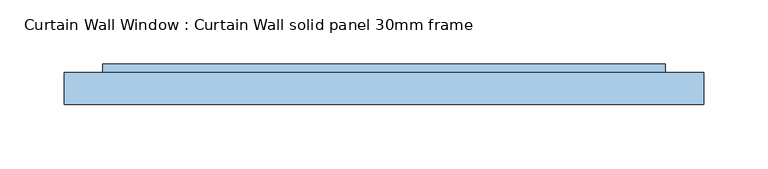
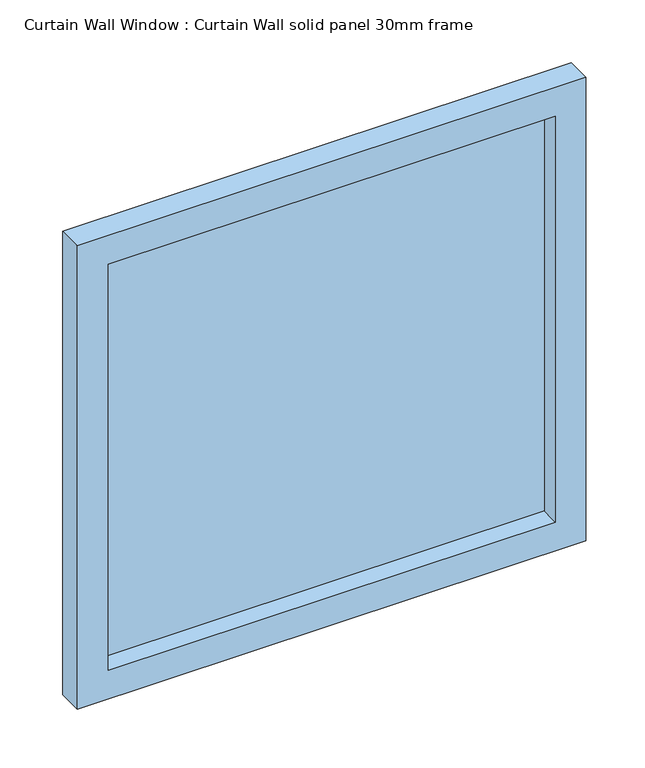
"""IFC4 building model written with IfcOpenShell, lengths in millimetres: window geometry, Curtain Wall Window : Curtain Wall solid panel 30mm frame."""

from ifc_helpers import new_model, si_unit, frame, origin, place, context, project, spatial, polyline, outline, extrude, source, transform, mapped, element, save


def curtain_wall_window_curtain_wall_solid_panel_30mm_frame_b359c1fd(model_context):
    return source(origin(), model_context, "Body", "SweptSolid", [
        extrude(outline(polyline([(219.4999836, 19.05), (-219.4999836, 19.05), (-219.4999836, 31.75), (219.4999836, 31.75), (219.4999836, 19.05)])), frame((0.0, 0.0, 30.0), z_axis=(0.0, 0.0, 1.0), x_axis=(1.0, 0.0, 0.0)), (0.0, 0.0, 1.0), 421.0),
        extrude(outline(polyline([(481.0, -249.4999836), (0.0, -249.4999836), (0.0, 249.4999836), (481.0, 249.4999836), (481.0, -249.4999836)]), holes=[polyline([(451.0, -219.4999836), (451.0, 219.4999836), (30.0, 219.4999836), (30.0, -219.4999836), (451.0, -219.4999836)])]), frame((0.0, 0.0, 0.0), z_axis=(0.0, 1.0, 0.0), x_axis=(0.0, 0.0, 1.0)), (0.0, 0.0, 1.0), 25.0),
    ])


if __name__ == "__main__":
    model = new_model("IFC4")
    model_context = context("Model", 3, world=origin())
    ifc_project = project(units=[si_unit("LENGTHUNIT", "METRE", prefix="MILLI")], contexts=[model_context])
    site = spatial("IfcSite", under=ifc_project)
    building = spatial("IfcBuilding", under=site)
    placement = place(None, origin())
    curtain_wall_window_curtain_wall_solid_panel_30mm_frame_shape = curtain_wall_window_curtain_wall_solid_panel_30mm_frame_b359c1fd(model_context)
    element("IfcWindow", 1, ObjectType="Curtain Wall Window : Curtain Wall solid panel 30mm frame", at=placement, inside=building, context=model_context, shape_type="MappedRepresentation", body=[
        mapped(curtain_wall_window_curtain_wall_solid_panel_30mm_frame_shape, transform((0.0, 0.0, 0.0), x_axis=(1.0, 0.0, 0.0), y_axis=(0.0, 1.0, 0.0), z_axis=(0.0, 0.0, 1.0))),
    ])
    save(model, "model.ifc")
